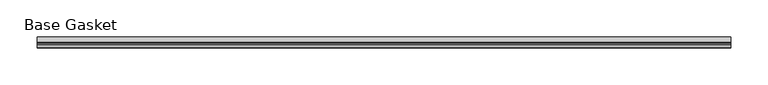
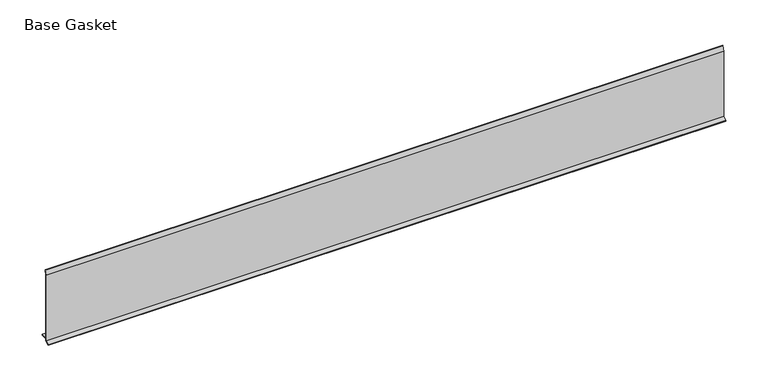
"""IFC4 building model written with IfcOpenShell, lengths in millimetres: furniture geometry, Base Gasket."""

from ifc_helpers import new_model, si_unit, frame, origin, place, context, project, spatial, polyline, outline, extrude, source, transform, mapped, element, save


def base_gasket_43fadf00(model_context):
    return source(origin(), model_context, "Body", "SweptSolid", [
        extrude(outline(polyline([(-3.7283812, 98.4568417), (-1.1891543, 104.587663), (-0.6755308, 105.2002997), (-0.6755308, 104.4162708), (-2.2043812, 98.4568417), (-2.2043812, 96.8693477), (-1.4106313, 96.8693477), (-1.4106313, 71.4693447), (-2.2043812, 71.4693447), (-2.2043812, 7.9398773), (6.2405171, 7.9398773), (6.2405171, 6.3818476), (-2.1334222, 6.3818476), (-2.2043812, 4.3498477), (-6.8281054, 0.3520979), (-7.8482342, 0.0), (-7.4222115, 0.6560174), (-3.7283812, 4.3498477), (-3.7283812, 98.4568417)])), frame((-1527.8982117, 0.0, 0.0), z_axis=(1.0, 0.0, 0.0), x_axis=(0.0, 1.0, 0.0)), (0.0, 0.0, 1.0), 925.1316603),
    ])


if __name__ == "__main__":
    model = new_model("IFC4")
    model_context = context("Model", 3, world=origin())
    ifc_project = project(units=[si_unit("LENGTHUNIT", "METRE", prefix="MILLI")], contexts=[model_context])
    site = spatial("IfcSite", under=ifc_project)
    building = spatial("IfcBuilding", under=site)
    placement = place(None, origin())
    base_gasket_shape = base_gasket_43fadf00(model_context)
    element("IfcFurniture", 1, ObjectType="Base Gasket", at=placement, inside=building, context=model_context, shape_type="MappedRepresentation", body=[
        mapped(base_gasket_shape, transform((0.0, 0.0, 0.0), x_axis=(1.0, 0.0, 0.0), y_axis=(0.0, 1.0, 0.0), z_axis=(0.0, 0.0, 1.0))),
    ])
    save(model, "model.ifc")
